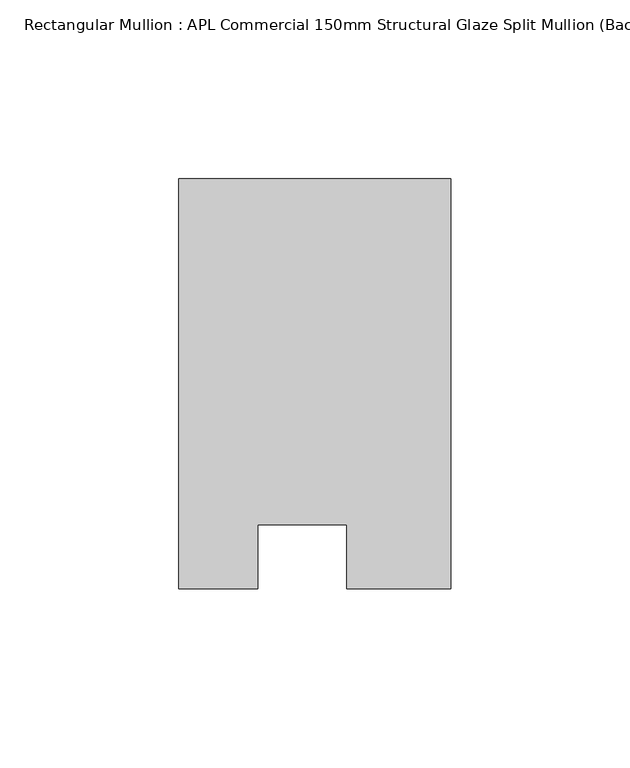
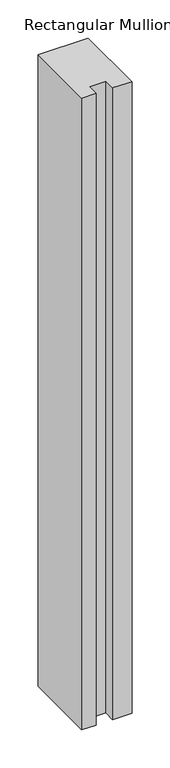
"""IFC4 building model written with IfcOpenShell, lengths in millimetres: member geometry, Rectangular Mullion : APL Commercial 150mm Structural Glaze Split Mullion (Back)."""

from ifc_helpers import new_model, si_unit, frame, origin, place, context, project, spatial, polyline, outline, extrude, source, transform, mapped, element, save


def rectangular_mullion_apl_commercial_150mm_structural_glaze_f72b7235(model_context):
    return source(origin(), model_context, "Body", "SweptSolid", [
        extrude(outline(polyline([(37.9999914, 129.5195626), (37.9999914, 14.9960123), (9.0, 14.9960123), (9.0, 32.7960123), (-16.0, 32.7960123), (-16.0, 14.9960123), (-37.9999896, 14.9960123), (-37.9999896, 129.5195626), (37.9999914, 129.5195626)])), frame((0.0, 0.0, -1010.846948), z_axis=(0.0, 0.0, 1.0), x_axis=(1.0, 0.0, 0.0)), (0.0, 0.0, 1.0), 1010.846948),
    ])


if __name__ == "__main__":
    model = new_model("IFC4")
    model_context = context("Model", 3, world=origin())
    ifc_project = project(units=[si_unit("LENGTHUNIT", "METRE", prefix="MILLI")], contexts=[model_context])
    site = spatial("IfcSite", under=ifc_project)
    building = spatial("IfcBuilding", under=site)
    placement = place(None, origin())
    rectangular_mullion_apl_commercial_150mm_structural_glaze_shape = rectangular_mullion_apl_commercial_150mm_structural_glaze_f72b7235(model_context)
    element("IfcMember", 1, ObjectType="Rectangular Mullion : APL Commercial 150mm Structural Glaze Split Mullion (Back)", at=placement, inside=building, context=model_context, shape_type="MappedRepresentation", body=[
        mapped(rectangular_mullion_apl_commercial_150mm_structural_glaze_shape, transform((0.0, 0.0, 0.0), x_axis=(1.0, 0.0, 0.0), y_axis=(0.0, 1.0, 0.0), z_axis=(0.0, 0.0, 1.0))),
    ])
    save(model, "model.ifc")
